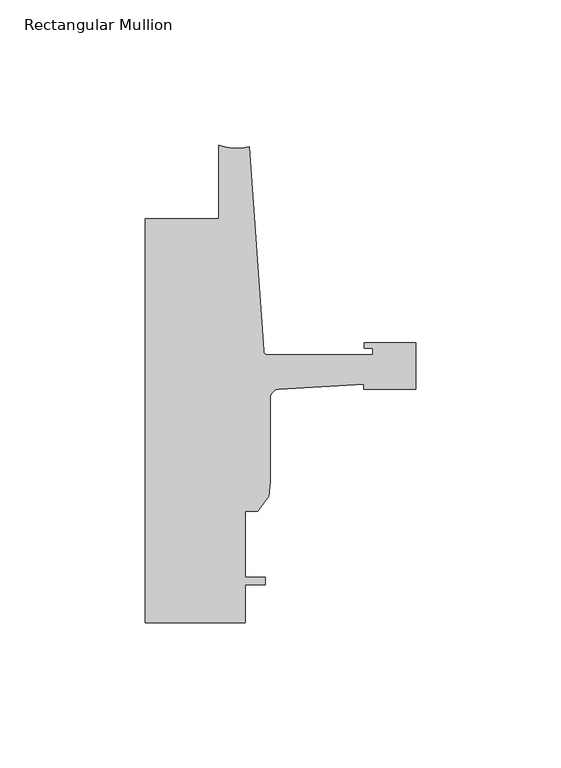
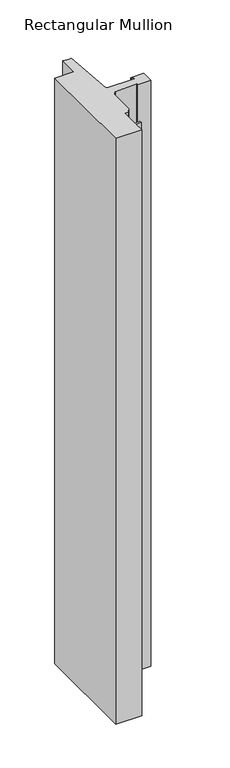
"""IFC4 building model written with IfcOpenShell, lengths in millimetres: member geometry, Rectangular Mullion."""

import ifcopenshell
import ifcopenshell.guid

model = None  # the IFC model being written
_history = None  # IfcOwnerHistory: only IFC2X3 demands one
_inside = {}  # id of a spatial element -> (the spatial element, [elements in it])
_under = {}  # id of a project, library or spatial element -> (it, [spatial elements below it])
_declared = {}  # id of a project -> (the project, [libraries it declares])
_typed = {}  # id of a type object -> (the type object, [elements of that type])
_made_of = {}  # id of a material, layer set ... -> (it, [elements and type objects made of it])


def new_model(schema):
    """Start an empty IFC model of exactly this schema.

    Asked for "IFC4X3", IfcOpenShell would pick the latest addendum, in which some entities
    have other attributes; the version numbers below select the first issue.
    IFC2X3 requires an IfcOwnerHistory on every rooted entity: one is made here for all.
    """
    global model, _history
    if schema == "IFC4X3":
        model = ifcopenshell.file(schema_version=(4, 3, 0, 0))
    else:
        model = ifcopenshell.file(schema=schema)
    _inside.clear()
    _under.clear()
    _declared.clear()
    _typed.clear()
    _made_of.clear()
    _history = None
    if model.schema == "IFC2X3":
        org = make("IfcOrganization", Name="unknown")
        user = make(
            "IfcPersonAndOrganization",
            ThePerson=make("IfcPerson", FamilyName="unknown"),
            TheOrganization=org,
        )
        app = make(
            "IfcApplication",
            ApplicationDeveloper=org,
            Version="unknown",
            ApplicationFullName="unknown",
            ApplicationIdentifier="unknown",
        )
        _history = make(
            "IfcOwnerHistory",
            OwningUser=user,
            OwningApplication=app,
            ChangeAction="ADDED",
            CreationDate=0,
        )
    return model


def make(cls, **values):
    """One entity of the class cls with the attributes given. An attribute that is None is left unset."""
    return model.create_entity(
        cls, **{name: value for name, value in values.items() if value is not None}
    )


def rooted(cls, **values):
    """An entity with a GlobalId (a new one), such as an element, a storey or a relation."""
    return make(cls, GlobalId=ifcopenshell.guid.new(), OwnerHistory=_history, **values)


def si_unit(unit_type, name, prefix=None):
    """IfcSIUnit, for example si_unit("LENGTHUNIT", "METRE", prefix="MILLI")."""
    return make("IfcSIUnit", UnitType=unit_type, Prefix=prefix, Name=name)


def assignment(units):
    """IfcUnitAssignment: the units of a project."""
    return None if units is None else make("IfcUnitAssignment", Units=units)


def point(xyz):
    """IfcCartesianPoint."""
    return None if xyz is None else make("IfcCartesianPoint", Coordinates=xyz)


def direction(xyz):
    """IfcDirection."""
    return None if xyz is None else make("IfcDirection", DirectionRatios=xyz)


def frame(location, z_axis=None, x_axis=None):
    """IfcAxis2Placement3D, a coordinate frame: its origin and axes. An axis left out is left unset."""
    return make(
        "IfcAxis2Placement3D",
        Location=point(location),
        Axis=direction(z_axis),
        RefDirection=direction(x_axis),
    )


def frame_2d(location, x_axis=None):
    """IfcAxis2Placement2D, a coordinate frame in the plane: its origin and x axis."""
    return make(
        "IfcAxis2Placement2D", Location=point(location), RefDirection=direction(x_axis)
    )


def origin():
    """The frame at (0, 0, 0) with its axes left unset."""
    return frame((0.0, 0.0, 0.0))


def place(relative_to, where):
    """IfcLocalPlacement: puts the frame where relative to a parent placement (None: the world)."""
    return make(
        "IfcLocalPlacement", PlacementRelTo=relative_to, RelativePlacement=where
    )


def context(
    kind, dimensions, precision=None, world=None, true_north=None, identifier=None
):
    """IfcGeometricRepresentationContext, for example the 3D "Model" context."""
    return make(
        "IfcGeometricRepresentationContext",
        ContextIdentifier=identifier,
        ContextType=kind,
        CoordinateSpaceDimension=dimensions,
        Precision=precision,
        WorldCoordinateSystem=world,
        TrueNorth=true_north,
    )


def project(units=None, contexts=None):
    """IfcProject with its units and contexts."""
    return rooted(
        "IfcProject",
        Name="project",
        RepresentationContexts=contexts,
        UnitsInContext=assignment(units),
    )


def spatial(cls, under=None, at=None, **own):
    """A site, building, storey or space (cls), placed at a placement, below another one or the project."""
    s = rooted(cls, ObjectPlacement=at, **own)
    if under is not None:
        _under.setdefault(under.id(), (under, []))[1].append(s)
    return s


def polyline(points):
    """IfcPolyline through the points."""
    return make("IfcPolyline", Points=[point(p) for p in points])


def circle_curve(where, radius):
    """IfcCircle in the frame where."""
    return make("IfcCircle", Position=where, Radius=radius)


def trimmed(basis, trim1, trim2, sense, master):
    """IfcTrimmedCurve: the piece of a basis curve between two trims."""
    return make(
        "IfcTrimmedCurve",
        BasisCurve=basis,
        Trim1=trim1,
        Trim2=trim2,
        SenseAgreement=sense,
        MasterRepresentation=master,
    )


def segment(curve, same_sense, transition):
    """IfcCompositeCurveSegment."""
    return make(
        "IfcCompositeCurveSegment",
        Transition=transition,
        SameSense=same_sense,
        ParentCurve=curve,
    )


def composite_curve(segments, self_intersect=None):
    """IfcCompositeCurve: segments joined end to end."""
    return make("IfcCompositeCurve", Segments=segments, SelfIntersect=self_intersect)


def outline(outer, holes=None, kind="AREA"):
    """IfcArbitraryClosedProfileDef: a profile drawn as a closed curve; with holes, ...WithVoids."""
    if holes is None:
        return make("IfcArbitraryClosedProfileDef", ProfileType=kind, OuterCurve=outer)
    return make(
        "IfcArbitraryProfileDefWithVoids",
        ProfileType=kind,
        OuterCurve=outer,
        InnerCurves=holes,
    )


def extrude(swept, where, along, depth):
    """IfcExtrudedAreaSolid: the profile swept, set in the frame where, extruded along a direction by depth."""
    return make(
        "IfcExtrudedAreaSolid",
        SweptArea=swept,
        Position=where,
        ExtrudedDirection=direction(along),
        Depth=depth,
    )


def shape(context_of_items, identifier, shape_type, items):
    """IfcShapeRepresentation: the items that make up one representation, for example the "Body"."""
    return make(
        "IfcShapeRepresentation",
        ContextOfItems=context_of_items,
        RepresentationIdentifier=identifier,
        RepresentationType=shape_type,
        Items=items,
    )


def source(mapping_origin, context_of_items, identifier, shape_type, items):
    """IfcRepresentationMap: a shape defined once, which mapped items show again and again."""
    return make(
        "IfcRepresentationMap",
        MappingOrigin=mapping_origin,
        MappedRepresentation=shape(context_of_items, identifier, shape_type, items),
    )


def transform(
    local_origin,
    x_axis=None,
    y_axis=None,
    z_axis=None,
    scale=None,
    scale2=None,
    scale3=None,
    uniform=True,
):
    """IfcCartesianTransformationOperator3D, or its non-uniform kind. x_axis, y_axis, z_axis: its Axis1, 2, 3."""
    if uniform:
        return make(
            "IfcCartesianTransformationOperator3D",
            Axis1=direction(x_axis),
            Axis2=direction(y_axis),
            LocalOrigin=point(local_origin),
            Scale=scale,
            Axis3=direction(z_axis),
        )
    return make(
        "IfcCartesianTransformationOperator3DnonUniform",
        Axis1=direction(x_axis),
        Axis2=direction(y_axis),
        LocalOrigin=point(local_origin),
        Scale=scale,
        Axis3=direction(z_axis),
        Scale2=scale2,
        Scale3=scale3,
    )


def mapped(mapping_source, mapping_target):
    """IfcMappedItem: shows the shape of a source again, moved by a transform."""
    return make(
        "IfcMappedItem", MappingSource=mapping_source, MappingTarget=mapping_target
    )


def made_of(thing, what):
    """Note that an element or type object is made of a material, layer set ...; save() writes the relation."""
    if what is not None:
        _made_of.setdefault(what.id(), (what, []))[1].append(thing)
    return thing


def element(
    cls,
    number,
    at=None,
    inside=None,
    cuts=None,
    type_object=None,
    material=None,
    context=None,
    identifier="Body",
    shape_type=None,
    held_by="IfcProductDefinitionShape",
    body=None,
    shapes=None,
    **own,
):
    """One element of the class cls, such as IfcWall. Its Tag is "e" and its number.

    at: its placement. inside: the storey or other place that contains it. cuts: it is an
    opening in that element (IfcRelVoidsElement). A single representation is given by context,
    identifier, shape_type and body (its items); several are given by shapes. held_by: the class
    of the entity that holds the representations. save() writes the other relations.
    """
    e = rooted(cls, Tag="e%d" % number, ObjectPlacement=at, **own)
    if body is not None:
        shapes = [shape(context, identifier, shape_type, body)]
    if shapes is not None:
        e.Representation = make(held_by, Representations=shapes)
    if inside is not None:
        _inside.setdefault(inside.id(), (inside, []))[1].append(e)
    if cuts is not None:
        rooted(
            "IfcRelVoidsElement", RelatingBuildingElement=cuts, RelatedOpeningElement=e
        )
    if type_object is not None:
        _typed.setdefault(type_object.id(), (type_object, []))[1].append(e)
    return made_of(e, material)


def aggregate(whole, parts):
    """IfcRelAggregates: a whole, such as a stair, and the parts it consists of."""
    return rooted("IfcRelAggregates", RelatingObject=whole, RelatedObjects=parts)


def save(model, path):
    """Write the relations noted so far, then the file.

    IfcRelAggregates (storeys below a building ...), IfcRelContainedInSpatialStructure (elements
    in a storey), IfcRelDefinesByType, IfcRelAssociatesMaterial and IfcRelDeclares: one each for
    every whole, place, type object, material and project.
    """
    for whole, parts in _under.values():
        aggregate(whole, parts)
    for where, things in _inside.values():
        rooted(
            "IfcRelContainedInSpatialStructure",
            RelatedElements=things,
            RelatingStructure=where,
        )
    for kind, things in _typed.values():
        rooted("IfcRelDefinesByType", RelatedObjects=things, RelatingType=kind)
    for what, things in _made_of.values():
        rooted("IfcRelAssociatesMaterial", RelatedObjects=things, RelatingMaterial=what)
    for by, libraries in _declared.values():
        rooted("IfcRelDeclares", RelatingContext=by, RelatedDefinitions=libraries)
    model.write(path)


def rectangular_mullion_ba2251ea(model_context):
    return source(origin(), model_context, "Body", "SweptSolid", [
        extrude(outline(composite_curve([segment(polyline([(-17.9118541, -69.7047729), (-47.0897067, -71.4438232)]), True, "CONTINUOUS"), segment(trimmed(circle_curve(frame_2d((-46.9265, -74.6146257)), 3.175), [point((-47.0897067, -71.4438232))], [point((-50.1015, -74.6146257))], True, "CARTESIAN"), True, "CONTINUOUS"), segment(polyline([(-50.1015, -74.6146257), (-50.1015, -103.326113), (-50.5979748, -108.3768653), (-54.4195002, -113.4482008), (-58.7375, -113.4482008), (-58.7375, -136.3082008), (-51.8795003, -136.3082008), (-51.8795003, -138.8482008), (-58.7375, -138.8482008), (-58.7375, -151.892), (-93.2286109, -151.892), (-93.2286109, -12.7004525), (-67.8287241, -12.7004525), (-67.8287241, 12.7)]), True, "CONTINUOUS"), segment(trimmed(circle_curve(frame_2d((-61.5737839, 28.2330799)), 16.7451739), [point((-67.8287241, 12.7))], [point((-57.2987656, 12.042803))], True, "CARTESIAN"), True, "CONTINUOUS"), segment(polyline([(-57.2987656, 12.042803), (-52.3871825, -58.1961089)]), True, "CONTINUOUS"), segment(trimmed(circle_curve(frame_2d((-50.8668948, -58.0898)), 1.524), [point((-52.3871825, -58.1961089))], [point((-50.8668948, -59.6138))], True, "CARTESIAN"), True, "CONTINUOUS"), segment(polyline([(-50.8668948, -59.6138), (-14.783487, -59.6138), (-14.783487, -57.2769999), (-17.6377748, -57.2769999), (-17.6377748, -55.4989999), (0.0, -55.4989999), (0.0, -71.5009998), (-17.9118541, -71.5009998), (-17.9118541, -69.7047729)]), True, "CONTINUOUS")], self_intersect=False)), frame((0.0, 0.0, -819.1499939), z_axis=(0.0, 0.0, 1.0), x_axis=(1.0, 0.0, 0.0)), (0.0, 0.0, 1.0), 819.1499939),
    ])


if __name__ == "__main__":
    model = new_model("IFC4")
    model_context = context("Model", 3, world=origin())
    ifc_project = project(units=[si_unit("LENGTHUNIT", "METRE", prefix="MILLI")], contexts=[model_context])
    site = spatial("IfcSite", under=ifc_project)
    building = spatial("IfcBuilding", under=site)
    placement = place(None, origin())
    rectangular_mullion_shape = rectangular_mullion_ba2251ea(model_context)
    element("IfcMember", 1, ObjectType="Rectangular Mullion", at=placement, inside=building, context=model_context, shape_type="MappedRepresentation", body=[
        mapped(rectangular_mullion_shape, transform((0.0, 0.0, 0.0), x_axis=(1.0, 0.0, 0.0), y_axis=(0.0, 1.0, 0.0), z_axis=(0.0, 0.0, 1.0))),
    ])
    save(model, "model.ifc")
